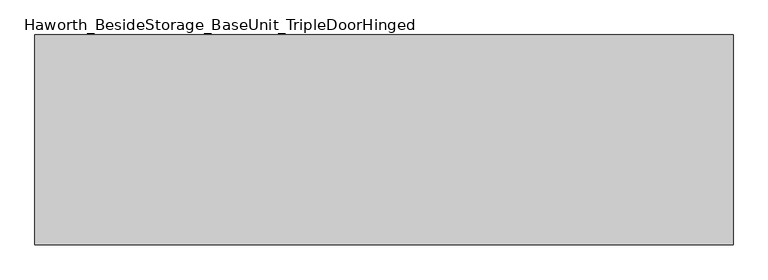
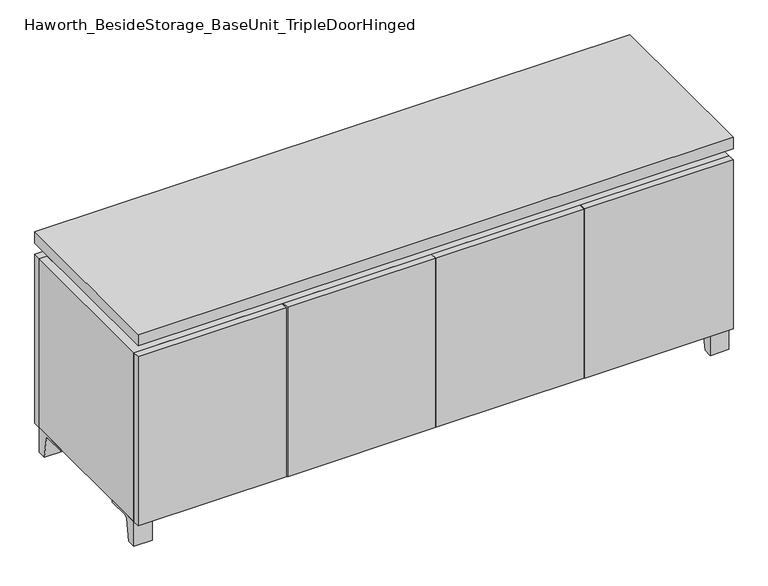
"""IFC4 building model written with IfcOpenShell, lengths in millimetres: furniture geometry, Haworth_BesideStorage_BaseUnit_TripleDoorHinged."""

from ifc_helpers import new_model, si_unit, point, frame, frame_2d, origin, place, context, project, spatial, polyline, circle_curve, trimmed, segment, composite_curve, outline, extrude, faceted_brep, source, transform, mapped, element, save


def haworth_besidestorage_baseunit_tripledoorhinged_58f5cc14(model_context):
    return source(origin(), model_context, "Body", "SolidModel", [
        extrude(outline(composite_curve([segment(polyline([(38.6291531, 0.0), (15.875, 0.0), (15.875, 66.675), (111.125, 66.675), (111.125, 61.8963321), (54.3244655, 61.8963321)]), True, "CONTINUOUS"), segment(trimmed(circle_curve(frame_2d((54.3244655, 55.5463321)), 6.35), [point((54.3244655, 61.8963321))], [point((48.0608641, 56.5902656))], True, "CARTESIAN"), True, "CONTINUOUS"), segment(polyline([(48.0608641, 56.5902656), (38.6291531, 0.0)]), True, "CONTINUOUS")], self_intersect=False)), frame((-23.7986094, 0.0, 0.0), z_axis=(1.0, 0.0, 0.0), x_axis=(0.0, 1.0, 0.0)), (0.0, 0.0, 1.0), 47.625),
        extrude(outline(composite_curve([segment(polyline([(-129.6458469, 0.0), (-152.4, 0.0), (-152.4, 66.675), (-57.15, 66.675), (-57.15, 61.8963321), (-113.9505345, 61.8963321)]), True, "CONTINUOUS"), segment(trimmed(circle_curve(frame_2d((-113.9505345, 55.5463321)), 6.35), [point((-113.9505345, 61.8963321))], [point((-120.2141359, 56.5902656))], True, "CARTESIAN"), True, "CONTINUOUS"), segment(polyline([(-120.2141359, 56.5902656), (-129.6458469, 0.0)]), True, "CONTINUOUS")], self_intersect=False)), frame((712.8013906, 0.0, 0.0), z_axis=(1.0, 0.0, 0.0), x_axis=(0.0, 1.0, 0.0)), (0.0, 0.0, 1.0), 47.625),
        extrude(outline(composite_curve([segment(polyline([(243.9458469, 0.0), (234.5141359, 56.5902656)]), True, "CONTINUOUS"), segment(trimmed(circle_curve(frame_2d((228.2505345, 55.5463321)), 6.35), [point((234.5141359, 56.5902656))], [point((228.2505345, 61.8963321))], True, "CARTESIAN"), True, "CONTINUOUS"), segment(polyline([(228.2505345, 61.8963321), (171.45, 61.8963321), (171.45, 66.675), (266.7, 66.675), (266.7, 0.0), (243.9458469, 0.0)]), True, "CONTINUOUS")], self_intersect=False)), frame((712.8013906, 0.0, 0.0), z_axis=(1.0, 0.0, 0.0), x_axis=(0.0, 1.0, 0.0)), (0.0, 0.0, 1.0), 47.625),
        extrude(outline(composite_curve([segment(polyline([(-129.6458469, 0.0), (-152.4, 0.0), (-152.4, 66.675), (-57.15, 66.675), (-57.15, 61.8963321), (-113.9505345, 61.8963321)]), True, "CONTINUOUS"), segment(trimmed(circle_curve(frame_2d((-113.9505345, 55.5463321)), 6.35), [point((-113.9505345, 61.8963321))], [point((-120.2141359, 56.5902656))], True, "CARTESIAN"), True, "CONTINUOUS"), segment(polyline([(-120.2141359, 56.5902656), (-129.6458469, 0.0)]), True, "CONTINUOUS")], self_intersect=False)), frame((-760.3986094, 0.0, 0.0), z_axis=(1.0, 0.0, 0.0), x_axis=(0.0, 1.0, 0.0)), (0.0, 0.0, 1.0), 47.625),
        extrude(outline(composite_curve([segment(polyline([(243.9458469, 0.0), (234.5141359, 56.5902656)]), True, "CONTINUOUS"), segment(trimmed(circle_curve(frame_2d((228.2505345, 55.5463321)), 6.35), [point((234.5141359, 56.5902656))], [point((228.2505345, 61.8963321))], True, "CARTESIAN"), True, "CONTINUOUS"), segment(polyline([(228.2505345, 61.8963321), (171.45, 61.8963321), (171.45, 66.675), (266.7, 66.675), (266.7, 0.0), (243.9458469, 0.0)]), True, "CONTINUOUS")], self_intersect=False)), frame((-760.3986094, 0.0, 0.0), z_axis=(1.0, 0.0, 0.0), x_axis=(0.0, 1.0, 0.0)), (0.0, 0.0, 1.0), 47.625),
        faceted_brep([(-760.3986094, -152.4, 66.675), (760.4125, -152.4, 66.675), (760.4125, -152.4, 523.875), (-760.3986094, -152.4, 523.875), (-741.3486094, -152.4, 85.725), (-741.3486094, -152.4, 504.825), (741.3694453, -152.4, 504.825), (741.3486094, -152.4, 85.725), (-760.3986094, 266.7, 66.675), (-760.3986094, 266.7, 523.875), (-741.3486094, 266.7, 523.875), (-741.3486094, 266.7, 85.725), (741.3486094, 266.7, 85.725), (741.3486094, 266.7, 523.875), (760.4125, 266.7, 523.875), (760.4125, 266.7, 66.675), (741.3486094, 241.3, 523.875), (-741.3416641, 241.3, 523.875), (-741.3486094, 241.3, 504.825), (741.3486094, 241.3, 504.825)], [[[0, 1, 2, 3], [4, 5, 6, 7]], [[8, 9, 10, 11, 12, 13, 14, 15]], [[1, 0, 8, 15]], [[2, 1, 15, 14]], [[3, 2, 14, 13, 16, 17, 10, 9]], [[0, 3, 9, 8]], [[11, 10, 17, 18, 5, 4]], [[13, 12, 7, 6, 19, 16]], [[4, 7, 12, 11]], [[6, 5, 18, 19]], [[17, 16, 19, 18]]]),
        extrude(outline(polyline([(760.4263906, -171.45), (-760.3986094, -171.45), (-760.3986094, 285.75), (760.4263906, 285.75), (760.4263906, -171.45)])), frame((0.0, 0.0, 554.0375), z_axis=(0.0, 0.0, 1.0), x_axis=(1.0, 0.0, 0.0)), (0.0, 0.0, 1.0), 30.1625),
        faceted_brep([(7.9513906, -76.2, 554.0375), (7.9513906, -76.2, 523.875), (7.9513906, 47.625, 523.875), (7.9513906, 47.625, 554.0375), (7.9513906, 190.5, 523.875), (7.9513906, 190.5, 554.0375), (7.9513906, 66.675, 554.0375), (7.9513906, 66.675, 523.875), (-7.9236094, 190.5, 554.0375), (-7.9236094, 190.5, 523.875), (-7.9236094, 66.675, 523.875), (-7.9236094, 66.675, 554.0375), (-7.9236094, -76.2, 523.875), (-7.9236094, -76.2, 554.0375), (-7.9236094, 47.625, 554.0375), (-7.9236094, 47.625, 523.875), (-719.0958281, 66.675, 554.0375), (-719.1166641, 241.3, 554.0375), (-734.9916641, 241.3, 554.0375), (-734.9916641, -127.0, 554.0375), (-719.1166641, -127.0, 554.0375), (-719.1166641, 47.625, 554.0375), (719.1236094, 47.625, 554.0375), (719.1236094, -127.0, 554.0375), (734.9986094, -127.0, 554.0375), (734.9986094, 241.3, 554.0375), (719.1236094, 241.3, 554.0375), (719.1236094, 66.675, 554.0375), (-719.0958281, 47.625, 523.875), (-719.1166641, -127.0, 523.875), (-734.9916641, -127.0, 523.875), (-734.9916641, 241.3, 523.875), (-719.1166641, 241.3, 523.875), (-719.1166641, 66.675, 523.875), (719.1236094, 66.675, 523.875), (719.1236094, 241.3, 523.875), (734.9986094, 241.3, 523.875), (734.9986094, -127.0, 523.875), (719.1236094, -127.0, 523.875), (719.1236094, 47.625, 523.875)], [[[0, 1, 2, 3]], [[4, 5, 6, 7]], [[8, 9, 10, 11]], [[12, 13, 14, 15]], [[5, 8, 11, 16, 17, 18, 19, 20, 21, 14, 13, 0, 3, 22, 23, 24, 25, 26, 27, 6]], [[1, 12, 15, 28, 29, 30, 31, 32, 33, 10, 9, 4, 7, 34, 35, 36, 37, 38, 39, 2]], [[5, 4, 9, 8]], [[1, 0, 13, 12]], [[6, 27, 34, 7]], [[22, 3, 2, 39]], [[20, 29, 28, 21]], [[32, 17, 16, 33]], [[18, 31, 30, 19]], [[29, 20, 19, 30]], [[17, 32, 31, 18]], [[26, 35, 34, 27]], [[38, 23, 22, 39]], [[25, 24, 37, 36]], [[23, 38, 37, 24]], [[35, 26, 25, 36]], [[16, 11, 10, 33]], [[14, 21, 28, 15]]]),
        extrude(outline(polyline([(760.4263906, 266.7), (-760.3986094, 266.7), (-760.3986094, 285.75), (760.4263906, 285.75), (760.4263906, 266.7)])), frame((0.0, 0.0, 66.675), z_axis=(0.0, 0.0, 1.0), x_axis=(1.0, 0.0, 0.0)), (0.0, 0.0, 1.0), 457.2),
        extrude(outline(polyline([(-741.3416641, 196.85), (-741.3416641, 203.2), (741.3694453, 203.2), (741.3694453, 196.85), (-741.3416641, 196.85)])), frame((0.0, 0.0, 85.725), z_axis=(0.0, 0.0, 1.0), x_axis=(1.0, 0.0, 0.0)), (0.0, 0.0, 1.0), 419.1),
        extrude(outline(polyline([(381.8076406, -171.45), (381.8076406, -152.4), (760.4263906, -152.4), (760.4263906, -171.45), (381.8076406, -171.45)])), frame((0.0, 0.0, 66.675), z_axis=(0.0, 0.0, 1.0), x_axis=(1.0, 0.0, 0.0)), (0.0, 0.0, 1.0), 457.2),
        extrude(outline(polyline([(-381.7798594, -171.45), (-760.3986094, -171.45), (-760.3986094, -152.4), (-381.7798594, -152.4), (-381.7798594, -171.45)])), frame((0.0, 0.0, 66.675), z_axis=(0.0, 0.0, 1.0), x_axis=(1.0, 0.0, 0.0)), (0.0, 0.0, 1.0), 457.2),
        extrude(outline(polyline([(0.0138906, -171.45), (0.0138906, -152.4), (378.6326406, -152.4), (378.6326406, -171.45), (0.0138906, -171.45)])), frame((0.0, 0.0, 66.675), z_axis=(0.0, 0.0, 1.0), x_axis=(1.0, 0.0, 0.0)), (0.0, 0.0, 1.0), 457.2),
        extrude(outline(polyline([(0.0138906, -171.45), (-378.6048594, -171.45), (-378.6048594, -152.4), (0.0138906, -152.4), (0.0138906, -171.45)])), frame((0.0, 0.0, 66.675), z_axis=(0.0, 0.0, 1.0), x_axis=(1.0, 0.0, 0.0)), (0.0, 0.0, 1.0), 457.2),
        extrude(outline(polyline([(370.6951406, 196.85), (389.7451406, 196.85), (389.7451406, -152.4), (370.6951406, -152.4), (370.6951406, 196.85)])), frame((0.0, 0.0, 85.725), z_axis=(0.0, 0.0, 1.0), x_axis=(1.0, 0.0, 0.0)), (0.0, 0.0, 1.0), 419.1),
        extrude(outline(polyline([(-389.7173594, 196.85), (-370.6673594, 196.85), (-370.6673594, -152.4), (-389.7173594, -152.4), (-389.7173594, 196.85)])), frame((0.0, 0.0, 85.725), z_axis=(0.0, 0.0, 1.0), x_axis=(1.0, 0.0, 0.0)), (0.0, 0.0, 1.0), 419.1),
    ])


if __name__ == "__main__":
    model = new_model("IFC4")
    model_context = context("Model", 3, world=origin())
    ifc_project = project(units=[si_unit("LENGTHUNIT", "METRE", prefix="MILLI")], contexts=[model_context])
    site = spatial("IfcSite", under=ifc_project)
    building = spatial("IfcBuilding", under=site)
    placement = place(None, origin())
    haworth_besidestorage_baseunit_tripledoorhinged_shape = haworth_besidestorage_baseunit_tripledoorhinged_58f5cc14(model_context)
    element("IfcFurniture", 1, ObjectType="Haworth_BesideStorage_BaseUnit_TripleDoorHinged", at=placement, inside=building, context=model_context, shape_type="MappedRepresentation", body=[
        mapped(haworth_besidestorage_baseunit_tripledoorhinged_shape, transform((0.0, 0.0, 0.0), x_axis=(1.0, 0.0, 0.0), y_axis=(0.0, 1.0, 0.0), z_axis=(0.0, 0.0, 1.0))),
    ])
    save(model, "model.ifc")
